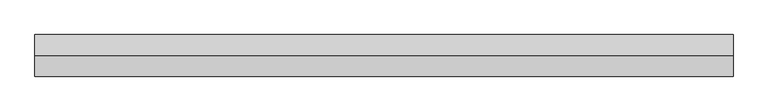
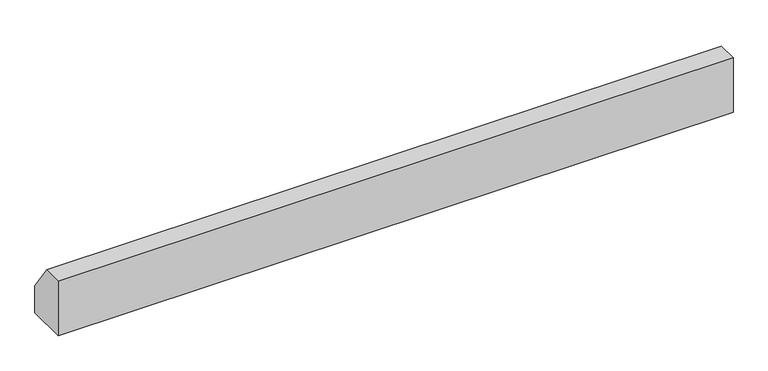
"""IFC4 building model written with IfcOpenShell, lengths in millimetres: proxy geometry."""

from ifc_helpers import new_model, si_unit, frame, origin, place, context, project, spatial, polyline, outline, extrude, source, transform, mapped, element, save


def generic_models_05da2084(model_context):
    return source(origin(), model_context, "Body", "SweptSolid", [
        extrude(outline(polyline([(9580.0360393, 8500.0), (9930.0360393, 8000.0), (9930.0360393, 7500.0), (9230.0360393, 7500.0), (9230.0360393, 8500.0), (9580.0360393, 8500.0)])), frame((-43575.4548952, 0.0, 0.0), z_axis=(1.0, 0.0, 0.0), x_axis=(0.0, 1.0, 0.0)), (0.0, 0.0, 1.0), 11745.4548952),
    ])


if __name__ == "__main__":
    model = new_model("IFC4")
    model_context = context("Model", 3, world=origin())
    ifc_project = project(units=[si_unit("LENGTHUNIT", "METRE", prefix="MILLI")], contexts=[model_context])
    site = spatial("IfcSite", under=ifc_project)
    building = spatial("IfcBuilding", under=site)
    placement = place(None, origin())
    generic_models_shape = generic_models_05da2084(model_context)
    element("IfcBuildingElementProxy", 1, Name="Generic Models", at=placement, inside=building, context=model_context, shape_type="MappedRepresentation", body=[
        mapped(generic_models_shape, transform((0.0, 0.0, 0.0), x_axis=(1.0, 0.0, 0.0), y_axis=(0.0, 1.0, 0.0), z_axis=(0.0, 0.0, 1.0))),
    ])
    save(model, "model.ifc")
